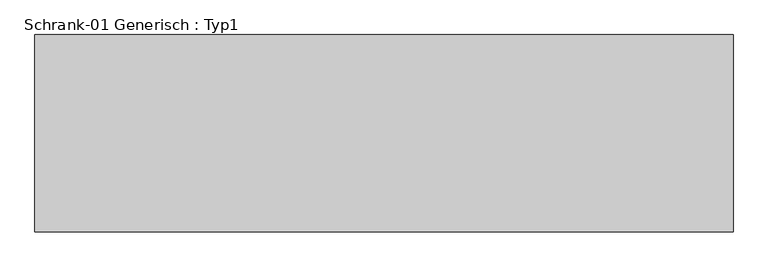
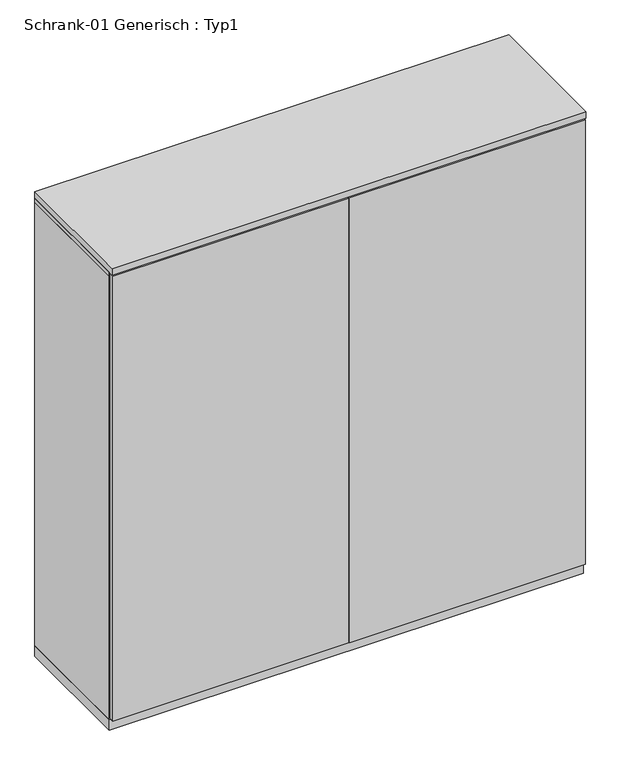
"""IFC4 building model written with IfcOpenShell, lengths in millimetres: furniture geometry, Schrank-01 Generisch : Typ1."""

import ifcopenshell
import ifcopenshell.guid

model = None  # the IFC model being written
_history = None  # IfcOwnerHistory: only IFC2X3 demands one
_inside = {}  # id of a spatial element -> (the spatial element, [elements in it])
_under = {}  # id of a project, library or spatial element -> (it, [spatial elements below it])
_declared = {}  # id of a project -> (the project, [libraries it declares])
_typed = {}  # id of a type object -> (the type object, [elements of that type])
_made_of = {}  # id of a material, layer set ... -> (it, [elements and type objects made of it])


def new_model(schema):
    """Start an empty IFC model of exactly this schema.

    Asked for "IFC4X3", IfcOpenShell would pick the latest addendum, in which some entities
    have other attributes; the version numbers below select the first issue.
    IFC2X3 requires an IfcOwnerHistory on every rooted entity: one is made here for all.
    """
    global model, _history
    if schema == "IFC4X3":
        model = ifcopenshell.file(schema_version=(4, 3, 0, 0))
    else:
        model = ifcopenshell.file(schema=schema)
    _inside.clear()
    _under.clear()
    _declared.clear()
    _typed.clear()
    _made_of.clear()
    _history = None
    if model.schema == "IFC2X3":
        org = make("IfcOrganization", Name="unknown")
        user = make(
            "IfcPersonAndOrganization",
            ThePerson=make("IfcPerson", FamilyName="unknown"),
            TheOrganization=org,
        )
        app = make(
            "IfcApplication",
            ApplicationDeveloper=org,
            Version="unknown",
            ApplicationFullName="unknown",
            ApplicationIdentifier="unknown",
        )
        _history = make(
            "IfcOwnerHistory",
            OwningUser=user,
            OwningApplication=app,
            ChangeAction="ADDED",
            CreationDate=0,
        )
    return model


def make(cls, **values):
    """One entity of the class cls with the attributes given. An attribute that is None is left unset."""
    return model.create_entity(
        cls, **{name: value for name, value in values.items() if value is not None}
    )


def rooted(cls, **values):
    """An entity with a GlobalId (a new one), such as an element, a storey or a relation."""
    return make(cls, GlobalId=ifcopenshell.guid.new(), OwnerHistory=_history, **values)


def si_unit(unit_type, name, prefix=None):
    """IfcSIUnit, for example si_unit("LENGTHUNIT", "METRE", prefix="MILLI")."""
    return make("IfcSIUnit", UnitType=unit_type, Prefix=prefix, Name=name)


def assignment(units):
    """IfcUnitAssignment: the units of a project."""
    return None if units is None else make("IfcUnitAssignment", Units=units)


def point(xyz):
    """IfcCartesianPoint."""
    return None if xyz is None else make("IfcCartesianPoint", Coordinates=xyz)


def direction(xyz):
    """IfcDirection."""
    return None if xyz is None else make("IfcDirection", DirectionRatios=xyz)


def frame(location, z_axis=None, x_axis=None):
    """IfcAxis2Placement3D, a coordinate frame: its origin and axes. An axis left out is left unset."""
    return make(
        "IfcAxis2Placement3D",
        Location=point(location),
        Axis=direction(z_axis),
        RefDirection=direction(x_axis),
    )


def origin():
    """The frame at (0, 0, 0) with its axes left unset."""
    return frame((0.0, 0.0, 0.0))


def origin_with_axes():
    """The frame at (0, 0, 0) with the z axis (0, 0, 1) and the x axis (1, 0, 0) written out."""
    return frame((0.0, 0.0, 0.0), z_axis=(0.0, 0.0, 1.0), x_axis=(1.0, 0.0, 0.0))


def place(relative_to, where):
    """IfcLocalPlacement: puts the frame where relative to a parent placement (None: the world)."""
    return make(
        "IfcLocalPlacement", PlacementRelTo=relative_to, RelativePlacement=where
    )


def context(
    kind, dimensions, precision=None, world=None, true_north=None, identifier=None
):
    """IfcGeometricRepresentationContext, for example the 3D "Model" context."""
    return make(
        "IfcGeometricRepresentationContext",
        ContextIdentifier=identifier,
        ContextType=kind,
        CoordinateSpaceDimension=dimensions,
        Precision=precision,
        WorldCoordinateSystem=world,
        TrueNorth=true_north,
    )


def project(units=None, contexts=None):
    """IfcProject with its units and contexts."""
    return rooted(
        "IfcProject",
        Name="project",
        RepresentationContexts=contexts,
        UnitsInContext=assignment(units),
    )


def spatial(cls, under=None, at=None, **own):
    """A site, building, storey or space (cls), placed at a placement, below another one or the project."""
    s = rooted(cls, ObjectPlacement=at, **own)
    if under is not None:
        _under.setdefault(under.id(), (under, []))[1].append(s)
    return s


def polyline(points):
    """IfcPolyline through the points."""
    return make("IfcPolyline", Points=[point(p) for p in points])


def outline(outer, holes=None, kind="AREA"):
    """IfcArbitraryClosedProfileDef: a profile drawn as a closed curve; with holes, ...WithVoids."""
    if holes is None:
        return make("IfcArbitraryClosedProfileDef", ProfileType=kind, OuterCurve=outer)
    return make(
        "IfcArbitraryProfileDefWithVoids",
        ProfileType=kind,
        OuterCurve=outer,
        InnerCurves=holes,
    )


def extrude(swept, where, along, depth):
    """IfcExtrudedAreaSolid: the profile swept, set in the frame where, extruded along a direction by depth."""
    return make(
        "IfcExtrudedAreaSolid",
        SweptArea=swept,
        Position=where,
        ExtrudedDirection=direction(along),
        Depth=depth,
    )


def shape(context_of_items, identifier, shape_type, items):
    """IfcShapeRepresentation: the items that make up one representation, for example the "Body"."""
    return make(
        "IfcShapeRepresentation",
        ContextOfItems=context_of_items,
        RepresentationIdentifier=identifier,
        RepresentationType=shape_type,
        Items=items,
    )


def source(mapping_origin, context_of_items, identifier, shape_type, items):
    """IfcRepresentationMap: a shape defined once, which mapped items show again and again."""
    return make(
        "IfcRepresentationMap",
        MappingOrigin=mapping_origin,
        MappedRepresentation=shape(context_of_items, identifier, shape_type, items),
    )


def transform(
    local_origin,
    x_axis=None,
    y_axis=None,
    z_axis=None,
    scale=None,
    scale2=None,
    scale3=None,
    uniform=True,
):
    """IfcCartesianTransformationOperator3D, or its non-uniform kind. x_axis, y_axis, z_axis: its Axis1, 2, 3."""
    if uniform:
        return make(
            "IfcCartesianTransformationOperator3D",
            Axis1=direction(x_axis),
            Axis2=direction(y_axis),
            LocalOrigin=point(local_origin),
            Scale=scale,
            Axis3=direction(z_axis),
        )
    return make(
        "IfcCartesianTransformationOperator3DnonUniform",
        Axis1=direction(x_axis),
        Axis2=direction(y_axis),
        LocalOrigin=point(local_origin),
        Scale=scale,
        Axis3=direction(z_axis),
        Scale2=scale2,
        Scale3=scale3,
    )


def mapped(mapping_source, mapping_target):
    """IfcMappedItem: shows the shape of a source again, moved by a transform."""
    return make(
        "IfcMappedItem", MappingSource=mapping_source, MappingTarget=mapping_target
    )


def made_of(thing, what):
    """Note that an element or type object is made of a material, layer set ...; save() writes the relation."""
    if what is not None:
        _made_of.setdefault(what.id(), (what, []))[1].append(thing)
    return thing


def element(
    cls,
    number,
    at=None,
    inside=None,
    cuts=None,
    type_object=None,
    material=None,
    context=None,
    identifier="Body",
    shape_type=None,
    held_by="IfcProductDefinitionShape",
    body=None,
    shapes=None,
    **own,
):
    """One element of the class cls, such as IfcWall. Its Tag is "e" and its number.

    at: its placement. inside: the storey or other place that contains it. cuts: it is an
    opening in that element (IfcRelVoidsElement). A single representation is given by context,
    identifier, shape_type and body (its items); several are given by shapes. held_by: the class
    of the entity that holds the representations. save() writes the other relations.
    """
    e = rooted(cls, Tag="e%d" % number, ObjectPlacement=at, **own)
    if body is not None:
        shapes = [shape(context, identifier, shape_type, body)]
    if shapes is not None:
        e.Representation = make(held_by, Representations=shapes)
    if inside is not None:
        _inside.setdefault(inside.id(), (inside, []))[1].append(e)
    if cuts is not None:
        rooted(
            "IfcRelVoidsElement", RelatingBuildingElement=cuts, RelatedOpeningElement=e
        )
    if type_object is not None:
        _typed.setdefault(type_object.id(), (type_object, []))[1].append(e)
    return made_of(e, material)


def aggregate(whole, parts):
    """IfcRelAggregates: a whole, such as a stair, and the parts it consists of."""
    return rooted("IfcRelAggregates", RelatingObject=whole, RelatedObjects=parts)


def save(model, path):
    """Write the relations noted so far, then the file.

    IfcRelAggregates (storeys below a building ...), IfcRelContainedInSpatialStructure (elements
    in a storey), IfcRelDefinesByType, IfcRelAssociatesMaterial and IfcRelDeclares: one each for
    every whole, place, type object, material and project.
    """
    for whole, parts in _under.values():
        aggregate(whole, parts)
    for where, things in _inside.values():
        rooted(
            "IfcRelContainedInSpatialStructure",
            RelatedElements=things,
            RelatingStructure=where,
        )
    for kind, things in _typed.values():
        rooted("IfcRelDefinesByType", RelatedObjects=things, RelatingType=kind)
    for what, things in _made_of.values():
        rooted("IfcRelAssociatesMaterial", RelatedObjects=things, RelatingMaterial=what)
    for by, libraries in _declared.values():
        rooted("IfcRelDeclares", RelatingContext=by, RelatedDefinitions=libraries)
    model.write(path)


def schrank_01_generisch_typ1_a0cb519f(model_context):
    return source(origin(), model_context, "Body", "SweptSolid", [
        extrude(outline(polyline([(1059.5, -278.0), (1059.5, -300.0), (3.0, -300.0), (3.0, -278.0), (1059.5, -278.0)])), frame((0.0, 0.0, 56.0), z_axis=(0.0, 0.0, 1.0), x_axis=(1.0, 0.0, 0.0)), (0.0, 0.0, 1.0), 2108.0),
        extrude(outline(polyline([(1042.5, 300.0), (1042.5, 290.0), (20.0, 290.0), (20.0, 300.0), (1042.5, 300.0)])), frame((0.0, 0.0, 50.0), z_axis=(0.0, 0.0, 1.0), x_axis=(1.0, 0.0, 0.0)), (0.0, 0.0, 1.0), 2100.0),
        extrude(outline(polyline([(1062.5, 300.0), (1062.5, -278.0), (0.0, -278.0), (0.0, 300.0), (1062.5, 300.0)])), frame((0.0, 0.0, 2150.0), z_axis=(0.0, 0.0, 1.0), x_axis=(1.0, 0.0, 0.0)), (0.0, 0.0, 1.0), 20.0),
        extrude(outline(polyline([(1042.5, 290.0), (1042.5, -278.0), (20.0, -278.0), (20.0, 290.0), (1042.5, 290.0)])), frame((0.0, 0.0, 50.0), z_axis=(0.0, 0.0, 1.0), x_axis=(1.0, 0.0, 0.0)), (0.0, 0.0, 1.0), 20.0),
        extrude(outline(polyline([(20.0, 300.0), (20.0, -278.0), (0.0, -278.0), (0.0, 300.0), (20.0, 300.0)])), frame((0.0, 0.0, 50.0), z_axis=(0.0, 0.0, 1.0), x_axis=(1.0, 0.0, 0.0)), (0.0, 0.0, 1.0), 2100.0),
        extrude(outline(polyline([(1062.5, 300.0), (1062.5, -278.0), (1042.5, -278.0), (1042.5, 300.0), (1062.5, 300.0)])), frame((0.0, 0.0, 50.0), z_axis=(0.0, 0.0, 1.0), x_axis=(1.0, 0.0, 0.0)), (0.0, 0.0, 1.0), 2100.0),
        extrude(outline(polyline([(-3.0, -278.0), (-3.0, -300.0), (-1059.5, -300.0), (-1059.5, -278.0), (-3.0, -278.0)])), frame((0.0, 0.0, 56.0), z_axis=(0.0, 0.0, 1.0), x_axis=(1.0, 0.0, 0.0)), (0.0, 0.0, 1.0), 2108.0),
        extrude(outline(polyline([(-20.0, 300.0), (-20.0, 290.0), (-1042.5, 290.0), (-1042.5, 300.0), (-20.0, 300.0)])), frame((0.0, 0.0, 50.0), z_axis=(0.0, 0.0, 1.0), x_axis=(1.0, 0.0, 0.0)), (0.0, 0.0, 1.0), 2100.0),
        extrude(outline(polyline([(0.0, 300.0), (0.0, -278.0), (-1062.5, -278.0), (-1062.5, 300.0), (0.0, 300.0)])), frame((0.0, 0.0, 2150.0), z_axis=(0.0, 0.0, 1.0), x_axis=(1.0, 0.0, 0.0)), (0.0, 0.0, 1.0), 20.0),
        extrude(outline(polyline([(-20.0, 290.0), (-20.0, -278.0), (-1042.5, -278.0), (-1042.5, 290.0), (-20.0, 290.0)])), frame((0.0, 0.0, 50.0), z_axis=(0.0, 0.0, 1.0), x_axis=(1.0, 0.0, 0.0)), (0.0, 0.0, 1.0), 20.0),
        extrude(outline(polyline([(-1042.5, 300.0), (-1042.5, -278.0), (-1062.5, -278.0), (-1062.5, 300.0), (-1042.5, 300.0)])), frame((0.0, 0.0, 50.0), z_axis=(0.0, 0.0, 1.0), x_axis=(1.0, 0.0, 0.0)), (0.0, 0.0, 1.0), 2100.0),
        extrude(outline(polyline([(0.0, 300.0), (0.0, -278.0), (-20.0, -278.0), (-20.0, 300.0), (0.0, 300.0)])), frame((0.0, 0.0, 50.0), z_axis=(0.0, 0.0, 1.0), x_axis=(1.0, 0.0, 0.0)), (0.0, 0.0, 1.0), 2100.0),
        extrude(outline(polyline([(1062.5, 300.0), (1062.5, -278.0), (-1062.5, -278.0), (-1062.5, 300.0), (1062.5, 300.0)])), origin_with_axes(), (0.0, 0.0, 1.0), 50.0),
        extrude(outline(polyline([(1062.5, 300.0), (1062.5, -300.0), (-1062.5, -300.0), (-1062.5, 300.0), (1062.5, 300.0)])), frame((0.0, 0.0, 2170.0), z_axis=(0.0, 0.0, 1.0), x_axis=(1.0, 0.0, 0.0)), (0.0, 0.0, 1.0), 30.0),
    ])


if __name__ == "__main__":
    model = new_model("IFC4")
    model_context = context("Model", 3, world=origin())
    ifc_project = project(units=[si_unit("LENGTHUNIT", "METRE", prefix="MILLI")], contexts=[model_context])
    site = spatial("IfcSite", under=ifc_project)
    building = spatial("IfcBuilding", under=site)
    placement = place(None, origin())
    schrank_01_generisch_typ1_shape = schrank_01_generisch_typ1_a0cb519f(model_context)
    element("IfcFurniture", 1, ObjectType="Schrank-01 Generisch : Typ1", at=placement, inside=building, context=model_context, shape_type="MappedRepresentation", body=[
        mapped(schrank_01_generisch_typ1_shape, transform((0.0, 0.0, 0.0), x_axis=(1.0, 0.0, 0.0), y_axis=(0.0, 1.0, 0.0), z_axis=(0.0, 0.0, 1.0))),
    ])
    save(model, "model.ifc")
